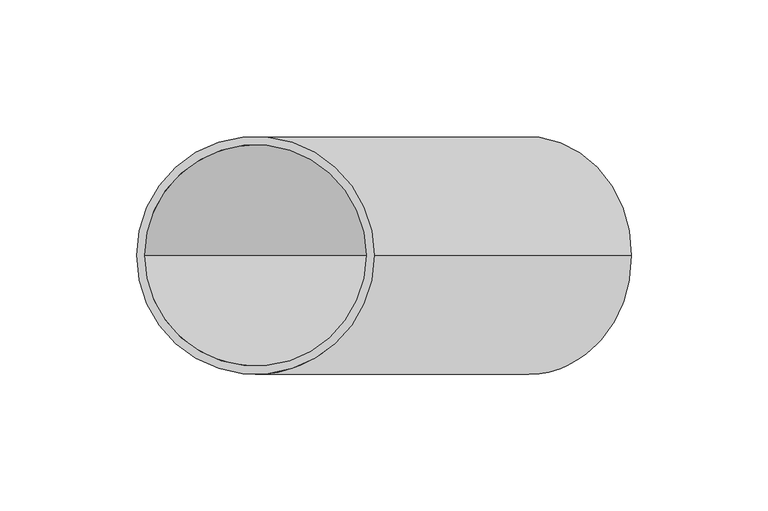
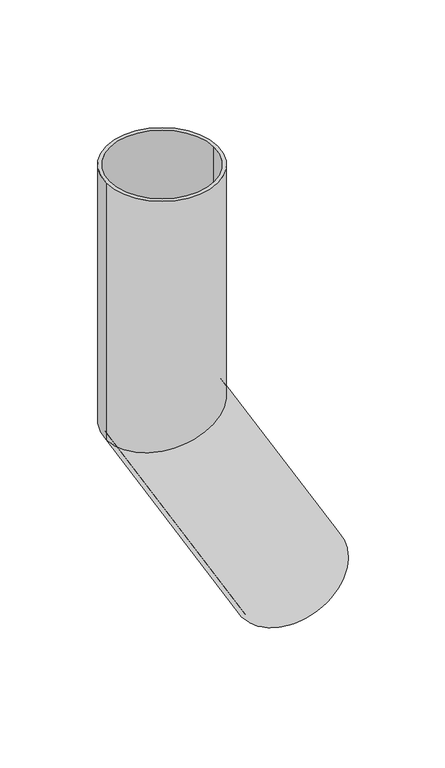
"""IFC4 building model written with IfcOpenShell, lengths in millimetres: beam geometry."""

from ifc_helpers import new_model, si_unit, frame, origin, place, context, project, spatial, polyline, circle_curve, ellipse_curve, source, transform, mapped, element, save
from ifc_brep_helpers import plane_surface, cylinder_surface, revolved_surface, advanced_brep


def beam_41ed8b38(model_context):
    return source(origin(), model_context, "Body", "AdvancedBrep", [
        advanced_brep(
        [(137.6721051, 0.0, -351.4550808), (62.3278949, 0.0, -394.9550808), (135.0740289, 0.0, -352.9550808), (64.9259711, 0.0, -393.4550808), (43.5, 0.0, 0.0), (-43.5, 0.0, 0.0), (40.5, 0.0, 0.0), (-40.5, 0.0, 0.0), (40.5, 0.0, -189.1480577), (0.0, -40.5, -200.0), (-40.5, 0.0, -210.8519423), (0.0, 40.5, -200.0), (43.5, 0.0, -188.3442101), (-43.5, 0.0, -211.6557899)],
        [
            (0, 1, circle_curve(frame((100.0, 0.0, -373.2050808), z_axis=(0.5000000000000633, 0.0, -0.8660254037844022), x_axis=(-0.8660254037844022, 0.0, -0.5000000000000633)), 43.5)),
            (1, 0, circle_curve(frame((100.0, 0.0, -373.2050808), z_axis=(0.5000000000000633, 0.0, -0.8660254037844022), x_axis=(-0.8660254037844022, 0.0, -0.5000000000000633)), 43.5)),
            (2, 3, circle_curve(frame((100.0, 0.0, -373.2050808), z_axis=(-0.5000000000000633, 0.0, 0.8660254037844022), x_axis=(-0.8660254037844022, 0.0, -0.5000000000000633)), 40.5)),
            (3, 2, circle_curve(frame((100.0, 0.0, -373.2050808), z_axis=(-0.5000000000000633, 0.0, 0.8660254037844022), x_axis=(-0.8660254037844022, 0.0, -0.5000000000000633)), 40.5)),
            (4, 5, circle_curve(frame((0.0, 0.0, 0.0), z_axis=(0.0, 0.0, 1.0), x_axis=(-1.0, 0.0, 0.0)), 43.5)),
            (5, 4, circle_curve(frame((0.0, 0.0, 0.0), z_axis=(0.0, 0.0, 1.0), x_axis=(-1.0, 0.0, 0.0)), 43.5)),
            (6, 7, circle_curve(frame((0.0, 0.0, 0.0), z_axis=(0.0, 0.0, -1.0), x_axis=(-1.0, 0.0, 0.0)), 40.5)),
            (7, 6, circle_curve(frame((0.0, 0.0, 0.0), z_axis=(0.0, 0.0, -1.0), x_axis=(-1.0, 0.0, 0.0)), 40.5)),
            (6, 8),
            (8, 9, ellipse_curve(frame((0.0, 0.0, -200.0), z_axis=(0.25881904510255604, 0.0, -0.9659258262890589), x_axis=(0.9659258262890589, 0.0, 0.25881904510255593)), 41.9286853, 40.5)),
            (9, 10, ellipse_curve(frame((0.0, 0.0, -200.0), z_axis=(0.25881904510255604, 0.0, -0.9659258262890589), x_axis=(0.9659258262890589, 0.0, 0.25881904510255593)), 41.9286853, 40.5)),
            (10, 7),
            (10, 11, ellipse_curve(frame((0.0, 0.0, -200.0), z_axis=(0.25881904510255604, 0.0, -0.9659258262890589), x_axis=(0.9659258262890589, 0.0, 0.25881904510255593)), 41.9286853, 40.5)),
            (11, 8, ellipse_curve(frame((0.0, 0.0, -200.0), z_axis=(0.25881904510255604, 0.0, -0.9659258262890589), x_axis=(0.9659258262890589, 0.0, 0.25881904510255593)), 41.9286853, 40.5)),
            (4, 12),
            (12, 13, ellipse_curve(frame((0.0, 0.0, -200.0), z_axis=(-0.25881904510255604, 0.0, 0.9659258262890589), x_axis=(-0.9659258262890589, 0.0, -0.25881904510255593)), 45.0345138, 43.5)),
            (13, 5),
            (13, 12, ellipse_curve(frame((0.0, 0.0, -200.0), z_axis=(-0.25881904510255604, 0.0, 0.9659258262890589), x_axis=(-0.9659258262890589, 0.0, -0.25881904510255593)), 45.0345138, 43.5)),
            (2, 8),
            (10, 3),
            (0, 12),
            (13, 1),
        ],
        [
            plane_surface(frame((100.0, 0.0, -373.2050808), z_axis=(0.5000000000000633, 0.0, -0.8660254037844022), x_axis=(0.0, -1.0, 0.0))),
            plane_surface(frame((0.0, 0.0, 0.0), z_axis=(0.0, 0.0, 1.0), x_axis=(0.0, -1.0, 0.0))),
            revolved_surface(polyline([(-40.5, 0.0, 0.0), (-40.5, 0.0, -210.8519423)]), (0.0, 0.0, -200.0), (0.0, 0.0, 1.0)),
            cylinder_surface(frame((0.0, 0.0, -200.0), z_axis=(0.0, 0.0, -1.0), x_axis=(-1.0, 0.0, 0.0)), 43.5),
            revolved_surface(polyline([(-40.5000000178256, 0.0, -210.85194230572873), (64.92597115841575, 0.0, -393.4550808202399)]), (100.0, 0.0, -373.2050808), (-0.5000000000000633, 0.0, 0.8660254037844022)),
            cylinder_surface(frame((100.0, 0.0, -373.2050808), z_axis=(0.5000000000000633, 0.0, -0.8660254037844022), x_axis=(-0.8660254037844022, 0.0, -0.5000000000000633)), 43.5),
        ],
        [
            (0, [[1, 2], [3, 4]]),
            (1, [[5, 6], [7, 8]]),
            (2, [[-7, 9, 10, 11, 12]]),
            (2, [[-8, -12, 13, 14, -9]]),
            (3, [[-5, 15, 16, 17]]),
            (3, [[-6, -17, 18, -15]]),
            (4, [[-3, 19, -14, -13, 20]]),
            (4, [[-4, -20, -11, -10, -19]]),
            (5, [[-1, 21, -18, 22]]),
            (5, [[-2, -22, -16, -21]]),
        ],
    ),
    ])


if __name__ == "__main__":
    model = new_model("IFC4")
    model_context = context("Model", 3, world=origin())
    ifc_project = project(units=[si_unit("LENGTHUNIT", "METRE", prefix="MILLI")], contexts=[model_context])
    site = spatial("IfcSite", under=ifc_project)
    building = spatial("IfcBuilding", under=site)
    placement = place(None, origin())
    beam_shape = beam_41ed8b38(model_context)
    element("IfcBeam", 1, at=placement, inside=building, context=model_context, shape_type="MappedRepresentation", body=[
        mapped(beam_shape, transform((0.0, 0.0, 0.0), x_axis=(1.0, 0.0, 0.0), y_axis=(0.0, 1.0, 0.0), z_axis=(0.0, 0.0, 1.0))),
    ])
    save(model, "model.ifc")
